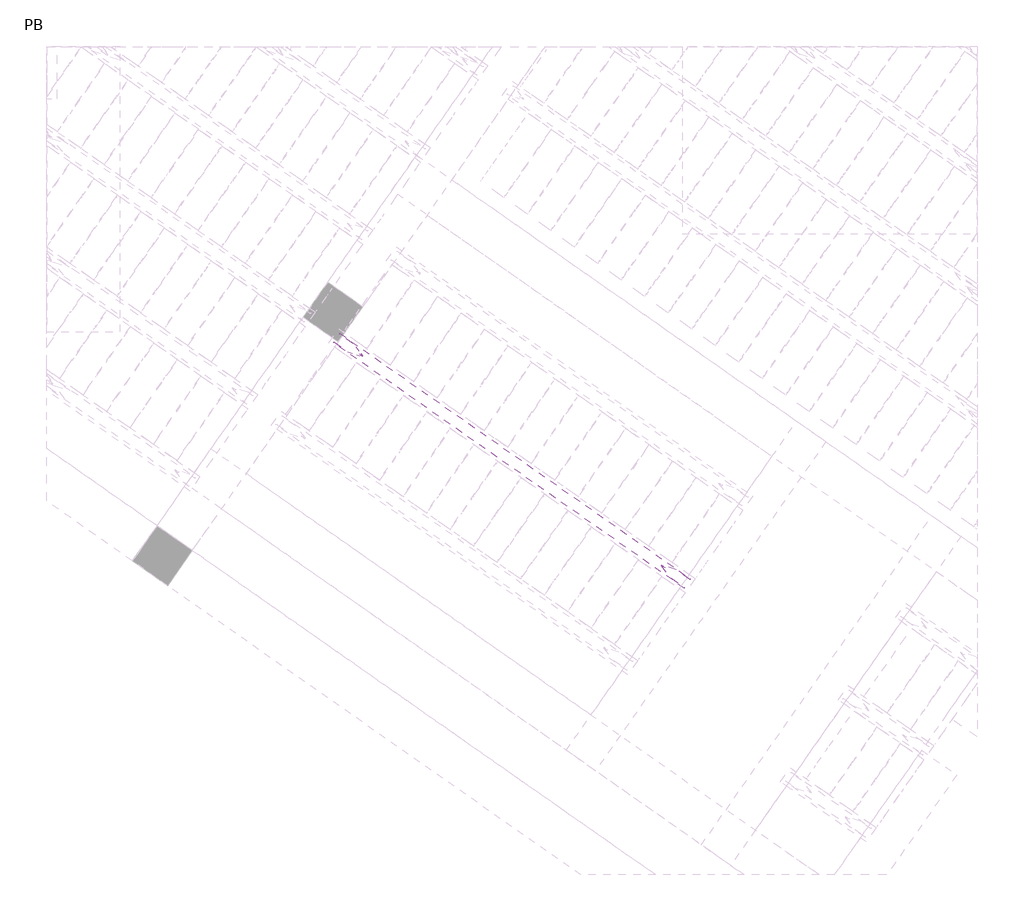
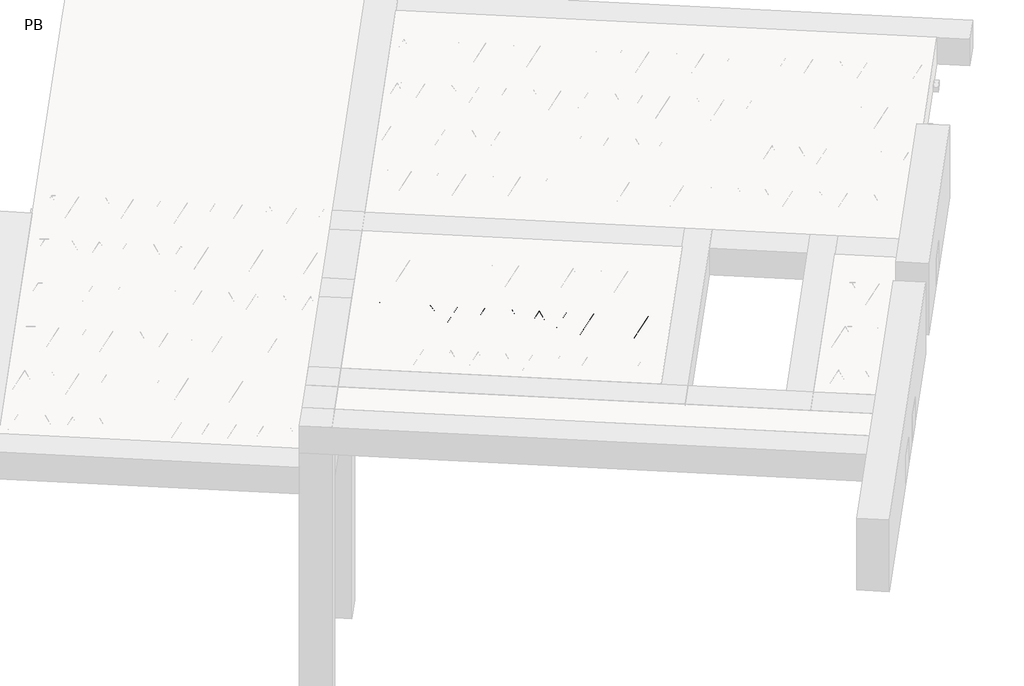
# One storey, part 9 of 56: 1 beam.
"""IFC4 building model written with IfcOpenShell, lengths in millimetres."""

from ifc_helpers import new_model, si_unit, point, frame, origin, origin_2d, place, context, project, spatial, circle_curve, trimmed, segment, composite_curve, outline, extrude, element, save

model = new_model("IFC4")

# Units and contexts
model_context = context("Model", 3, world=origin())
ifc_project = project(units=[si_unit("LENGTHUNIT", "METRE", prefix="MILLI")], contexts=[model_context])

# Site, building, storey
site = spatial("IfcSite", under=ifc_project)
building = spatial("IfcBuilding", under=site)
storey = spatial("IfcBuildingStorey", under=building, Name="PB", Elevation=95940.0)

# Beam
placement = place(None, origin())
element("IfcBeam", 1, at=placement, inside=storey, context=model_context, shape_type="SweptSolid", body=[
    extrude(outline(composite_curve([segment(trimmed(circle_curve(origin_2d(), 2.5), [point((-2.5, 0.0))], [point((2.5, 0.0))], False, "CARTESIAN"), True, "CONTINUOUS"), segment(trimmed(circle_curve(origin_2d(), 2.5), [point((2.5, 0.0))], [point((-2.5, 0.0))], False, "CARTESIAN"), True, "CONTINUOUS")], self_intersect=False)), frame((4595.6165609, 339.796298, 99245.0), z_axis=(-0.8191520442696126, 0.5735764363787226, 0.0), x_axis=(0.5735764363787226, 0.8191520442696126, 0.0)), (0.0, 0.0, 1.0), 2987.184468),
    extrude(outline(composite_curve([segment(trimmed(circle_curve(origin_2d(), 2.5), [point((-2.5, 0.0))], [point((2.5, 0.0))], False, "CARTESIAN"), True, "CONTINUOUS"), segment(trimmed(circle_curve(origin_2d(), 2.5), [point((2.5, 0.0))], [point((-2.5, 0.0))], False, "CARTESIAN"), True, "CONTINUOUS")], self_intersect=False)), frame((4457.6838382, 480.3257154, 99470.0), z_axis=(-0.8191520442696126, 0.5735764363787226, 0.0), x_axis=(0.5735764363787226, 0.8191520442696126, 0.0)), (0.0, 0.0, 1.0), 2600.0),
    extrude(outline(composite_curve([segment(trimmed(circle_curve(origin_2d(), 2.5), [point((-2.5, 0.0))], [point((2.5, 0.0))], False, "CARTESIAN"), True, "CONTINUOUS"), segment(trimmed(circle_curve(origin_2d(), 2.5), [point((2.5, 0.0))], [point((-2.5, 0.0))], False, "CARTESIAN"), True, "CONTINUOUS")], self_intersect=False)), frame((4498.4714898, 407.8180091, 99245.0), z_axis=(-0.3145304735701046, 0.38933448886848654, 0.8657304643902053), x_axis=(0.7778747638402499, 0.6284193279813057, 0.0)), (0.0, 0.0, 1.0), 259.8961331),
    extrude(outline(composite_curve([segment(trimmed(circle_curve(origin_2d(), 2.5), [point((2.5, -1e-07))], [point((-2.5, 0.0))], False, "CARTESIAN"), True, "CONTINUOUS"), segment(trimmed(circle_curve(origin_2d(), 2.5), [point((-2.5, 0.0))], [point((2.5, -1e-07))], False, "CARTESIAN"), True, "CONTINUOUS")], self_intersect=False)), frame((4293.6834788, 551.2121182, 99245.0), z_axis=(0.47343050384693375, -0.16240172737369005, 0.8657304643902051), x_axis=(-0.3244721671091268, -0.9458952440791246, 0.0)), (0.0, 0.0, 1.0), 259.8961331),
    extrude(outline(composite_curve([segment(trimmed(circle_curve(origin_2d(), 2.5), [point((-2.5, -1e-07))], [point((2.5000001, -1e-07))], False, "CARTESIAN"), True, "CONTINUOUS"), segment(trimmed(circle_curve(origin_2d(), 2.5), [point((2.5000001, -1e-07))], [point((-2.5, -1e-07))], False, "CARTESIAN"), True, "CONTINUOUS")], self_intersect=False)), frame((4293.6834787, 551.2121182, 99245.0), z_axis=(-0.3145304735701046, 0.38933448886848654, 0.8657304643902053), x_axis=(0.7778747638402499, 0.6284193279813057, 0.0)), (0.0, 0.0, 1.0), 259.8961331),
    extrude(outline(composite_curve([segment(trimmed(circle_curve(origin_2d(), 2.5), [point((2.5, 0.0))], [point((-2.5, 0.0))], False, "CARTESIAN"), True, "CONTINUOUS"), segment(trimmed(circle_curve(origin_2d(), 2.5), [point((-2.5, 0.0))], [point((2.5, 0.0))], False, "CARTESIAN"), True, "CONTINUOUS")], self_intersect=False)), frame((4088.8954677, 694.6062273, 99245.0), z_axis=(0.47343050384693375, -0.16240172737369005, 0.8657304643902051), x_axis=(-0.3244721671091268, -0.9458952440791246, 0.0)), (0.0, 0.0, 1.0), 259.8961331),
    extrude(outline(composite_curve([segment(trimmed(circle_curve(origin_2d(), 2.5), [point((-2.5, -1e-07))], [point((2.5, 0.0))], False, "CARTESIAN"), True, "CONTINUOUS"), segment(trimmed(circle_curve(origin_2d(), 2.5), [point((2.5, 0.0))], [point((-2.5, -1e-07))], False, "CARTESIAN"), True, "CONTINUOUS")], self_intersect=False)), frame((4088.8954677, 694.6062273, 99245.0), z_axis=(-0.3145304735701046, 0.38933448886848654, 0.8657304643902053), x_axis=(0.7778747638402499, 0.6284193279813057, 0.0)), (0.0, 0.0, 1.0), 259.8961331),
    extrude(outline(composite_curve([segment(trimmed(circle_curve(origin_2d(), 2.5), [point((2.5000001, 0.0))], [point((-2.5, 0.0))], False, "CARTESIAN"), True, "CONTINUOUS"), segment(trimmed(circle_curve(origin_2d(), 2.5), [point((-2.5, 0.0))], [point((2.5000001, 0.0))], False, "CARTESIAN"), True, "CONTINUOUS")], self_intersect=False)), frame((3884.1074566, 838.0003364, 99245.0), z_axis=(0.47343050384693375, -0.16240172737369005, 0.8657304643902051), x_axis=(-0.3244721671091268, -0.9458952440791246, 0.0)), (0.0, 0.0, 1.0), 259.8961331),
    extrude(outline(composite_curve([segment(trimmed(circle_curve(origin_2d(), 2.5), [point((-2.5, -1e-07))], [point((2.5, 0.0))], False, "CARTESIAN"), True, "CONTINUOUS"), segment(trimmed(circle_curve(origin_2d(), 2.5), [point((2.5, 0.0))], [point((-2.5, -1e-07))], False, "CARTESIAN"), True, "CONTINUOUS")], self_intersect=False)), frame((3884.1074566, 838.0003364, 99245.0), z_axis=(-0.3145304735701046, 0.38933448886848654, 0.8657304643902053), x_axis=(0.7778747638402499, 0.6284193279813057, 0.0)), (0.0, 0.0, 1.0), 259.8961331),
    extrude(outline(composite_curve([segment(trimmed(circle_curve(origin_2d(), 2.5), [point((2.5000001, 0.0))], [point((-2.5, 1e-07))], False, "CARTESIAN"), True, "CONTINUOUS"), segment(trimmed(circle_curve(origin_2d(), 2.5), [point((-2.5, 1e-07))], [point((2.5000001, 0.0))], False, "CARTESIAN"), True, "CONTINUOUS")], self_intersect=False)), frame((3679.3194455, 981.3944455, 99245.0), z_axis=(0.47343050384693375, -0.16240172737369005, 0.8657304643902051), x_axis=(-0.3244721671091268, -0.9458952440791246, 0.0)), (0.0, 0.0, 1.0), 259.8961331),
    extrude(outline(composite_curve([segment(trimmed(circle_curve(origin_2d(), 2.5), [point((-2.5, 0.0))], [point((2.5, 1e-07))], False, "CARTESIAN"), True, "CONTINUOUS"), segment(trimmed(circle_curve(origin_2d(), 2.5), [point((2.5, 1e-07))], [point((-2.5, 0.0))], False, "CARTESIAN"), True, "CONTINUOUS")], self_intersect=False)), frame((3679.3194457, 981.3944453, 99245.0), z_axis=(-0.3145304735701046, 0.38933448886848654, 0.8657304643902053), x_axis=(0.7778747638402499, 0.6284193279813057, 0.0)), (0.0, 0.0, 1.0), 259.8961331),
    extrude(outline(composite_curve([segment(trimmed(circle_curve(origin_2d(), 2.5), [point((2.5, 0.0))], [point((-2.5, 1e-07))], False, "CARTESIAN"), True, "CONTINUOUS"), segment(trimmed(circle_curve(origin_2d(), 2.5), [point((-2.5, 1e-07))], [point((2.5, 0.0))], False, "CARTESIAN"), True, "CONTINUOUS")], self_intersect=False)), frame((3474.5314346, 1124.7885544, 99245.0), z_axis=(0.47343050384693375, -0.16240172737369005, 0.8657304643902051), x_axis=(-0.3244721671091268, -0.9458952440791246, 0.0)), (0.0, 0.0, 1.0), 259.8961331),
    extrude(outline(composite_curve([segment(trimmed(circle_curve(origin_2d(), 2.5), [point((-2.5, 0.0))], [point((2.5000001, 0.0))], False, "CARTESIAN"), True, "CONTINUOUS"), segment(trimmed(circle_curve(origin_2d(), 2.5), [point((2.5000001, 0.0))], [point((-2.5, 0.0))], False, "CARTESIAN"), True, "CONTINUOUS")], self_intersect=False)), frame((3474.5314346, 1124.7885544, 99245.0), z_axis=(-0.3145304735701046, 0.38933448886848654, 0.8657304643902053), x_axis=(0.7778747638402499, 0.6284193279813057, 0.0)), (0.0, 0.0, 1.0), 259.8961331),
    extrude(outline(composite_curve([segment(trimmed(circle_curve(origin_2d(), 2.5), [point((2.5, 0.0))], [point((-2.5, 0.0))], False, "CARTESIAN"), True, "CONTINUOUS"), segment(trimmed(circle_curve(origin_2d(), 2.5), [point((-2.5, 0.0))], [point((2.5, 0.0))], False, "CARTESIAN"), True, "CONTINUOUS")], self_intersect=False)), frame((3269.7434236, 1268.1826635, 99245.0), z_axis=(0.47343050384693375, -0.16240172737369005, 0.8657304643902051), x_axis=(-0.3244721671091268, -0.9458952440791246, 0.0)), (0.0, 0.0, 1.0), 259.8961331),
    extrude(outline(composite_curve([segment(trimmed(circle_curve(origin_2d(), 2.5), [point((-2.5, 0.0))], [point((2.5, 0.0))], False, "CARTESIAN"), True, "CONTINUOUS"), segment(trimmed(circle_curve(origin_2d(), 2.5), [point((2.5, 0.0))], [point((-2.5, 0.0))], False, "CARTESIAN"), True, "CONTINUOUS")], self_intersect=False)), frame((3269.7434236, 1268.1826635, 99245.0), z_axis=(-0.3145304735701046, 0.38933448886848654, 0.8657304643902053), x_axis=(0.7778747638402499, 0.6284193279813057, 0.0)), (0.0, 0.0, 1.0), 259.8961331),
    extrude(outline(composite_curve([segment(trimmed(circle_curve(origin_2d(), 2.5), [point((2.5, 0.0))], [point((-2.5, 0.0))], False, "CARTESIAN"), True, "CONTINUOUS"), segment(trimmed(circle_curve(origin_2d(), 2.5), [point((-2.5, 0.0))], [point((2.5, 0.0))], False, "CARTESIAN"), True, "CONTINUOUS")], self_intersect=False)), frame((3064.9554125, 1411.5767726, 99245.0), z_axis=(0.47343050384693375, -0.16240172737369005, 0.8657304643902051), x_axis=(-0.3244721671091268, -0.9458952440791246, 0.0)), (0.0, 0.0, 1.0), 259.8961331),
    extrude(outline(composite_curve([segment(trimmed(circle_curve(origin_2d(), 2.5), [point((-2.5, 0.0))], [point((2.5, 0.0))], False, "CARTESIAN"), True, "CONTINUOUS"), segment(trimmed(circle_curve(origin_2d(), 2.5), [point((2.5, 0.0))], [point((-2.5, 0.0))], False, "CARTESIAN"), True, "CONTINUOUS")], self_intersect=False)), frame((3064.9554125, 1411.5767726, 99245.0), z_axis=(-0.3145304735701046, 0.38933448886848654, 0.8657304643902053), x_axis=(0.7778747638402499, 0.6284193279813057, 0.0)), (0.0, 0.0, 1.0), 259.8961331),
    extrude(outline(composite_curve([segment(trimmed(circle_curve(origin_2d(), 2.5), [point((2.5, 0.0))], [point((-2.5, 1e-07))], False, "CARTESIAN"), True, "CONTINUOUS"), segment(trimmed(circle_curve(origin_2d(), 2.5), [point((-2.5, 1e-07))], [point((2.5, 0.0))], False, "CARTESIAN"), True, "CONTINUOUS")], self_intersect=False)), frame((2860.1674014, 1554.9708817, 99245.0), z_axis=(0.47343050384693375, -0.16240172737369005, 0.8657304643902051), x_axis=(-0.3244721671091268, -0.9458952440791246, 0.0)), (0.0, 0.0, 1.0), 259.8961331),
    extrude(outline(composite_curve([segment(trimmed(circle_curve(origin_2d(), 2.5), [point((-2.5, 0.0))], [point((2.5000001, -1e-07))], False, "CARTESIAN"), True, "CONTINUOUS"), segment(trimmed(circle_curve(origin_2d(), 2.5), [point((2.5000001, -1e-07))], [point((-2.5, 0.0))], False, "CARTESIAN"), True, "CONTINUOUS")], self_intersect=False)), frame((2860.1674014, 1554.9708817, 99245.0), z_axis=(-0.3145304735701046, 0.38933448886848654, 0.8657304643902053), x_axis=(0.7778747638402499, 0.6284193279813057, 0.0)), (0.0, 0.0, 1.0), 259.8961331),
    extrude(outline(composite_curve([segment(trimmed(circle_curve(origin_2d(), 2.5), [point((2.5, 0.0))], [point((-2.5, 0.0))], False, "CARTESIAN"), True, "CONTINUOUS"), segment(trimmed(circle_curve(origin_2d(), 2.5), [point((-2.5, 0.0))], [point((2.5, 0.0))], False, "CARTESIAN"), True, "CONTINUOUS")], self_intersect=False)), frame((2655.3793904, 1698.3649908, 99245.0), z_axis=(0.47343050384693375, -0.16240172737369005, 0.8657304643902051), x_axis=(-0.3244721671091268, -0.9458952440791246, 0.0)), (0.0, 0.0, 1.0), 259.8961331),
    extrude(outline(composite_curve([segment(trimmed(circle_curve(origin_2d(), 2.5), [point((-2.5, 0.0))], [point((2.5, 0.0))], False, "CARTESIAN"), True, "CONTINUOUS"), segment(trimmed(circle_curve(origin_2d(), 2.5), [point((2.5, 0.0))], [point((-2.5, 0.0))], False, "CARTESIAN"), True, "CONTINUOUS")], self_intersect=False)), frame((2655.3793904, 1698.3649908, 99245.0), z_axis=(-0.3145304735701046, 0.38933448886848654, 0.8657304643902053), x_axis=(0.7778747638402499, 0.6284193279813057, 0.0)), (0.0, 0.0, 1.0), 259.8961331),
    extrude(outline(composite_curve([segment(trimmed(circle_curve(origin_2d(), 2.5), [point((2.5, 0.0))], [point((-2.5, 0.0))], False, "CARTESIAN"), True, "CONTINUOUS"), segment(trimmed(circle_curve(origin_2d(), 2.5), [point((-2.5, 0.0))], [point((2.5, 0.0))], False, "CARTESIAN"), True, "CONTINUOUS")], self_intersect=False)), frame((2450.5913793, 1841.7590999, 99245.0), z_axis=(0.47343050384693375, -0.16240172737369005, 0.8657304643902051), x_axis=(-0.3244721671091268, -0.9458952440791246, 0.0)), (0.0, 0.0, 1.0), 259.8961331),
    extrude(outline(composite_curve([segment(trimmed(circle_curve(origin_2d(), 2.5), [point((-2.5, 0.0))], [point((2.5, 0.0))], False, "CARTESIAN"), True, "CONTINUOUS"), segment(trimmed(circle_curve(origin_2d(), 2.5), [point((2.5, 0.0))], [point((-2.5, 0.0))], False, "CARTESIAN"), True, "CONTINUOUS")], self_intersect=False)), frame((2450.5913793, 1841.7590999, 99245.0), z_axis=(-0.3145304735701046, 0.38933448886848654, 0.8657304643902053), x_axis=(0.7778747638402499, 0.6284193279813057, 0.0)), (0.0, 0.0, 1.0), 259.8961331),
    extrude(outline(composite_curve([segment(trimmed(circle_curve(origin_2d(), 2.5), [point((2.5, 0.0))], [point((-2.5, 1e-07))], False, "CARTESIAN"), True, "CONTINUOUS"), segment(trimmed(circle_curve(origin_2d(), 2.5), [point((-2.5, 1e-07))], [point((2.5, 0.0))], False, "CARTESIAN"), True, "CONTINUOUS")], self_intersect=False)), frame((2245.8033682, 1985.153209, 99245.0), z_axis=(0.47343050384693375, -0.16240172737369005, 0.8657304643902051), x_axis=(-0.3244721671091268, -0.9458952440791246, 0.0)), (0.0, 0.0, 1.0), 259.8961331),
    extrude(outline(composite_curve([segment(trimmed(circle_curve(origin_2d(), 2.5), [point((-2.5, 0.0))], [point((2.5, 0.0))], False, "CARTESIAN"), True, "CONTINUOUS"), segment(trimmed(circle_curve(origin_2d(), 2.5), [point((2.5, 0.0))], [point((-2.5, 0.0))], False, "CARTESIAN"), True, "CONTINUOUS")], self_intersect=False)), frame((4636.9140643, 398.7752452, 99245.0), z_axis=(-0.8191520442696126, 0.5735764363787226, 0.0), x_axis=(0.5735764363787226, 0.8191520442696126, 0.0)), (0.0, 0.0, 1.0), 2987.184468),
    extrude(outline(composite_curve([segment(trimmed(circle_curve(origin_2d(), 2.5), [point((-2.5, 0.0))], [point((2.5, -1e-07))], False, "CARTESIAN"), True, "CONTINUOUS"), segment(trimmed(circle_curve(origin_2d(), 2.5), [point((2.5, -1e-07))], [point((-2.5, 0.0))], False, "CARTESIAN"), True, "CONTINUOUS")], self_intersect=False)), frame((4539.7689932, 466.7969563, 99245.0), z_axis=(-0.47343050384693375, 0.16240172737369005, 0.8657304643902051), x_axis=(0.3244721671091268, 0.9458952440791246, 0.0)), (0.0, 0.0, 1.0), 259.8961331),
    extrude(outline(composite_curve([segment(trimmed(circle_curve(origin_2d(), 2.5), [point((2.5, 1e-07))], [point((-2.5, 0.0))], False, "CARTESIAN"), True, "CONTINUOUS"), segment(trimmed(circle_curve(origin_2d(), 2.5), [point((-2.5, 0.0))], [point((2.5, 1e-07))], False, "CARTESIAN"), True, "CONTINUOUS")], self_intersect=False)), frame((4334.9809822, 610.1910654, 99245.0), z_axis=(0.3145304735701046, -0.38933448886848654, 0.8657304643902053), x_axis=(-0.7778747638402499, -0.6284193279813057, 0.0)), (0.0, 0.0, 1.0), 259.8961331),
    extrude(outline(composite_curve([segment(trimmed(circle_curve(origin_2d(), 2.5), [point((-2.5000001, 0.0))], [point((2.5, 0.0))], False, "CARTESIAN"), True, "CONTINUOUS"), segment(trimmed(circle_curve(origin_2d(), 2.5), [point((2.5, 0.0))], [point((-2.5000001, 0.0))], False, "CARTESIAN"), True, "CONTINUOUS")], self_intersect=False)), frame((4334.9809822, 610.1910654, 99245.0), z_axis=(-0.47343050384693375, 0.16240172737369005, 0.8657304643902051), x_axis=(0.3244721671091268, 0.9458952440791246, 0.0)), (0.0, 0.0, 1.0), 259.8961331),
    extrude(outline(composite_curve([segment(trimmed(circle_curve(origin_2d(), 2.5), [point((2.5, 0.0))], [point((-2.5, -1e-07))], False, "CARTESIAN"), True, "CONTINUOUS"), segment(trimmed(circle_curve(origin_2d(), 2.5), [point((-2.5, -1e-07))], [point((2.5, 0.0))], False, "CARTESIAN"), True, "CONTINUOUS")], self_intersect=False)), frame((4130.1929711, 753.5851744, 99245.0), z_axis=(0.3145304735701046, -0.38933448886848654, 0.8657304643902053), x_axis=(-0.7778747638402499, -0.6284193279813057, 0.0)), (0.0, 0.0, 1.0), 259.8961331),
    extrude(outline(composite_curve([segment(trimmed(circle_curve(origin_2d(), 2.5), [point((-2.5000001, 0.0))], [point((2.5, 0.0))], False, "CARTESIAN"), True, "CONTINUOUS"), segment(trimmed(circle_curve(origin_2d(), 2.5), [point((2.5, 0.0))], [point((-2.5000001, 0.0))], False, "CARTESIAN"), True, "CONTINUOUS")], self_intersect=False)), frame((4130.1929711, 753.5851745, 99245.0), z_axis=(-0.47343050384693375, 0.16240172737369005, 0.8657304643902051), x_axis=(0.3244721671091268, 0.9458952440791246, 0.0)), (0.0, 0.0, 1.0), 259.8961331),
    extrude(outline(composite_curve([segment(trimmed(circle_curve(origin_2d(), 2.5), [point((2.5, 0.0))], [point((-2.5, -1e-07))], False, "CARTESIAN"), True, "CONTINUOUS"), segment(trimmed(circle_curve(origin_2d(), 2.5), [point((-2.5, -1e-07))], [point((2.5, 0.0))], False, "CARTESIAN"), True, "CONTINUOUS")], self_intersect=False)), frame((3925.40496, 896.9792835, 99245.0), z_axis=(0.3145304735701046, -0.38933448886848654, 0.8657304643902053), x_axis=(-0.7778747638402499, -0.6284193279813057, 0.0)), (0.0, 0.0, 1.0), 259.8961331),
    extrude(outline(composite_curve([segment(trimmed(circle_curve(origin_2d(), 2.5), [point((-2.5, 0.0))], [point((2.5000001, 0.0))], False, "CARTESIAN"), True, "CONTINUOUS"), segment(trimmed(circle_curve(origin_2d(), 2.5), [point((2.5000001, 0.0))], [point((-2.5, 0.0))], False, "CARTESIAN"), True, "CONTINUOUS")], self_intersect=False)), frame((3925.40496, 896.9792835, 99245.0), z_axis=(-0.47343050384693375, 0.16240172737369005, 0.8657304643902051), x_axis=(0.3244721671091268, 0.9458952440791246, 0.0)), (0.0, 0.0, 1.0), 259.8961331),
    extrude(outline(composite_curve([segment(trimmed(circle_curve(origin_2d(), 2.5), [point((2.5, 0.0))], [point((-2.5, -1e-07))], False, "CARTESIAN"), True, "CONTINUOUS"), segment(trimmed(circle_curve(origin_2d(), 2.5), [point((-2.5, -1e-07))], [point((2.5, 0.0))], False, "CARTESIAN"), True, "CONTINUOUS")], self_intersect=False)), frame((3720.616949, 1040.3733926, 99245.0), z_axis=(0.3145304735701046, -0.38933448886848654, 0.8657304643902053), x_axis=(-0.7778747638402499, -0.6284193279813057, 0.0)), (0.0, 0.0, 1.0), 259.8961331),
    extrude(outline(composite_curve([segment(trimmed(circle_curve(origin_2d(), 2.5), [point((-2.5, 0.0))], [point((2.5, 0.0))], False, "CARTESIAN"), True, "CONTINUOUS"), segment(trimmed(circle_curve(origin_2d(), 2.5), [point((2.5, 0.0))], [point((-2.5, 0.0))], False, "CARTESIAN"), True, "CONTINUOUS")], self_intersect=False)), frame((3720.6169491, 1040.3733925, 99245.0), z_axis=(-0.47343050384693375, 0.16240172737369005, 0.8657304643902051), x_axis=(0.3244721671091268, 0.9458952440791246, 0.0)), (0.0, 0.0, 1.0), 259.8961331),
    extrude(outline(composite_curve([segment(trimmed(circle_curve(origin_2d(), 2.5), [point((2.5, 0.0))], [point((-2.5, 0.0))], False, "CARTESIAN"), True, "CONTINUOUS"), segment(trimmed(circle_curve(origin_2d(), 2.5), [point((-2.5, 0.0))], [point((2.5, 0.0))], False, "CARTESIAN"), True, "CONTINUOUS")], self_intersect=False)), frame((3515.8289381, 1183.7675016, 99245.0), z_axis=(0.3145304735701046, -0.38933448886848654, 0.8657304643902053), x_axis=(-0.7778747638402499, -0.6284193279813057, 0.0)), (0.0, 0.0, 1.0), 259.8961331),
    extrude(outline(composite_curve([segment(trimmed(circle_curve(origin_2d(), 2.5), [point((-2.5, 1e-07))], [point((2.5, 0.0))], False, "CARTESIAN"), True, "CONTINUOUS"), segment(trimmed(circle_curve(origin_2d(), 2.5), [point((2.5, 0.0))], [point((-2.5, 1e-07))], False, "CARTESIAN"), True, "CONTINUOUS")], self_intersect=False)), frame((3515.8289381, 1183.7675016, 99245.0), z_axis=(-0.47343050384693375, 0.16240172737369005, 0.8657304643902051), x_axis=(0.3244721671091268, 0.9458952440791246, 0.0)), (0.0, 0.0, 1.0), 259.8961331),
    extrude(outline(composite_curve([segment(trimmed(circle_curve(origin_2d(), 2.5), [point((2.5, 0.0))], [point((-2.5, 0.0))], False, "CARTESIAN"), True, "CONTINUOUS"), segment(trimmed(circle_curve(origin_2d(), 2.5), [point((-2.5, 0.0))], [point((2.5, 0.0))], False, "CARTESIAN"), True, "CONTINUOUS")], self_intersect=False)), frame((3311.040927, 1327.1616107, 99245.0), z_axis=(0.3145304735701046, -0.38933448886848654, 0.8657304643902053), x_axis=(-0.7778747638402499, -0.6284193279813057, 0.0)), (0.0, 0.0, 1.0), 259.8961331),
    extrude(outline(composite_curve([segment(trimmed(circle_curve(origin_2d(), 2.5), [point((-2.5, 0.0))], [point((2.5, 0.0))], False, "CARTESIAN"), True, "CONTINUOUS"), segment(trimmed(circle_curve(origin_2d(), 2.5), [point((2.5, 0.0))], [point((-2.5, 0.0))], False, "CARTESIAN"), True, "CONTINUOUS")], self_intersect=False)), frame((3311.040927, 1327.1616107, 99245.0), z_axis=(-0.47343050384693375, 0.16240172737369005, 0.8657304643902051), x_axis=(0.3244721671091268, 0.9458952440791246, 0.0)), (0.0, 0.0, 1.0), 259.8961331),
    extrude(outline(composite_curve([segment(trimmed(circle_curve(origin_2d(), 2.5), [point((2.5, 0.0))], [point((-2.5, 0.0))], False, "CARTESIAN"), True, "CONTINUOUS"), segment(trimmed(circle_curve(origin_2d(), 2.5), [point((-2.5, 0.0))], [point((2.5, 0.0))], False, "CARTESIAN"), True, "CONTINUOUS")], self_intersect=False)), frame((3106.2529159, 1470.5557198, 99245.0), z_axis=(0.3145304735701046, -0.38933448886848654, 0.8657304643902053), x_axis=(-0.7778747638402499, -0.6284193279813057, 0.0)), (0.0, 0.0, 1.0), 259.8961331),
    extrude(outline(composite_curve([segment(trimmed(circle_curve(origin_2d(), 2.5), [point((-2.5, 0.0))], [point((2.5, 0.0))], False, "CARTESIAN"), True, "CONTINUOUS"), segment(trimmed(circle_curve(origin_2d(), 2.5), [point((2.5, 0.0))], [point((-2.5, 0.0))], False, "CARTESIAN"), True, "CONTINUOUS")], self_intersect=False)), frame((3106.2529159, 1470.5557198, 99245.0), z_axis=(-0.47343050384693375, 0.16240172737369005, 0.8657304643902051), x_axis=(0.3244721671091268, 0.9458952440791246, 0.0)), (0.0, 0.0, 1.0), 259.8961331),
    extrude(outline(composite_curve([segment(trimmed(circle_curve(origin_2d(), 2.5), [point((2.5, 0.0))], [point((-2.5, 0.0))], False, "CARTESIAN"), True, "CONTINUOUS"), segment(trimmed(circle_curve(origin_2d(), 2.5), [point((-2.5, 0.0))], [point((2.5, 0.0))], False, "CARTESIAN"), True, "CONTINUOUS")], self_intersect=False)), frame((2901.4649049, 1613.9498289, 99245.0), z_axis=(0.3145304735701046, -0.38933448886848654, 0.8657304643902053), x_axis=(-0.7778747638402499, -0.6284193279813057, 0.0)), (0.0, 0.0, 1.0), 259.8961331),
    extrude(outline(composite_curve([segment(trimmed(circle_curve(origin_2d(), 2.5), [point((-2.5, 1e-07))], [point((2.5, 0.0))], False, "CARTESIAN"), True, "CONTINUOUS"), segment(trimmed(circle_curve(origin_2d(), 2.5), [point((2.5, 0.0))], [point((-2.5, 1e-07))], False, "CARTESIAN"), True, "CONTINUOUS")], self_intersect=False)), frame((2901.4649049, 1613.9498289, 99245.0), z_axis=(-0.47343050384693375, 0.16240172737369005, 0.8657304643902051), x_axis=(0.3244721671091268, 0.9458952440791246, 0.0)), (0.0, 0.0, 1.0), 259.8961331),
    extrude(outline(composite_curve([segment(trimmed(circle_curve(origin_2d(), 2.5), [point((2.5, 0.0))], [point((-2.5, 0.0))], False, "CARTESIAN"), True, "CONTINUOUS"), segment(trimmed(circle_curve(origin_2d(), 2.5), [point((-2.5, 0.0))], [point((2.5, 0.0))], False, "CARTESIAN"), True, "CONTINUOUS")], self_intersect=False)), frame((2696.6768938, 1757.343938, 99245.0), z_axis=(0.3145304735701046, -0.38933448886848654, 0.8657304643902053), x_axis=(-0.7778747638402499, -0.6284193279813057, 0.0)), (0.0, 0.0, 1.0), 259.8961331),
    extrude(outline(composite_curve([segment(trimmed(circle_curve(origin_2d(), 2.5), [point((-2.5, 0.0))], [point((2.5, 0.0))], False, "CARTESIAN"), True, "CONTINUOUS"), segment(trimmed(circle_curve(origin_2d(), 2.5), [point((2.5, 0.0))], [point((-2.5, 0.0))], False, "CARTESIAN"), True, "CONTINUOUS")], self_intersect=False)), frame((2696.6768938, 1757.343938, 99245.0), z_axis=(-0.47343050384693375, 0.16240172737369005, 0.8657304643902051), x_axis=(0.3244721671091268, 0.9458952440791246, 0.0)), (0.0, 0.0, 1.0), 259.8961331),
    extrude(outline(composite_curve([segment(trimmed(circle_curve(origin_2d(), 2.5), [point((2.5, 0.0))], [point((-2.5, 0.0))], False, "CARTESIAN"), True, "CONTINUOUS"), segment(trimmed(circle_curve(origin_2d(), 2.5), [point((-2.5, 0.0))], [point((2.5, 0.0))], False, "CARTESIAN"), True, "CONTINUOUS")], self_intersect=False)), frame((2491.8888827, 1900.7380471, 99245.0), z_axis=(0.3145304735701046, -0.38933448886848654, 0.8657304643902053), x_axis=(-0.7778747638402499, -0.6284193279813057, 0.0)), (0.0, 0.0, 1.0), 259.8961331),
    extrude(outline(composite_curve([segment(trimmed(circle_curve(origin_2d(), 2.5), [point((-2.5, 0.0))], [point((2.5, 0.0))], False, "CARTESIAN"), True, "CONTINUOUS"), segment(trimmed(circle_curve(origin_2d(), 2.5), [point((2.5, 0.0))], [point((-2.5, 0.0))], False, "CARTESIAN"), True, "CONTINUOUS")], self_intersect=False)), frame((2491.8888827, 1900.7380471, 99245.0), z_axis=(-0.47343050384693375, 0.16240172737369005, 0.8657304643902051), x_axis=(0.3244721671091268, 0.9458952440791246, 0.0)), (0.0, 0.0, 1.0), 259.8961331),
    extrude(outline(composite_curve([segment(trimmed(circle_curve(origin_2d(), 2.5), [point((2.5000001, -1e-07))], [point((-2.5, 0.0))], False, "CARTESIAN"), True, "CONTINUOUS"), segment(trimmed(circle_curve(origin_2d(), 2.5), [point((-2.5, 0.0))], [point((2.5000001, -1e-07))], False, "CARTESIAN"), True, "CONTINUOUS")], self_intersect=False)), frame((2287.1008717, 2044.1321562, 99245.0), z_axis=(0.3145304735701046, -0.38933448886848654, 0.8657304643902053), x_axis=(-0.7778747638402499, -0.6284193279813057, 0.0)), (0.0, 0.0, 1.0), 259.8961331),
])

save(model, "model.ifc")
